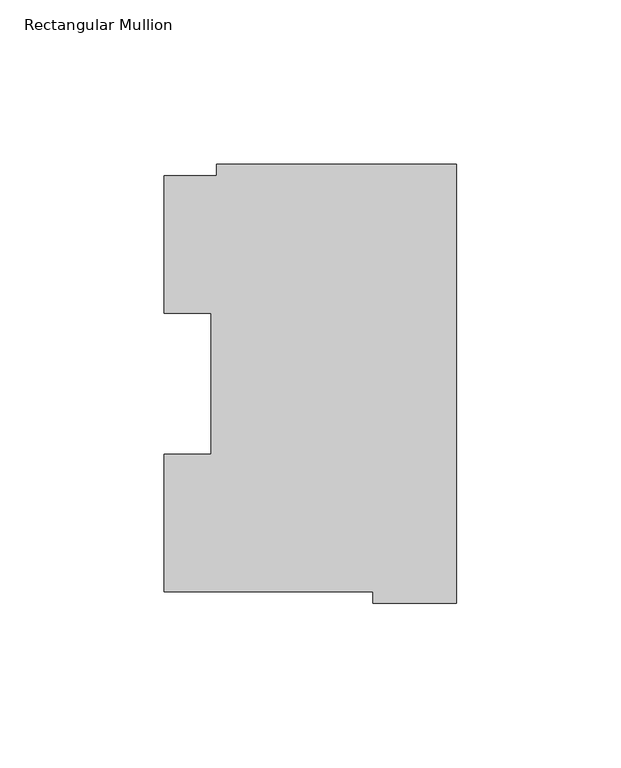
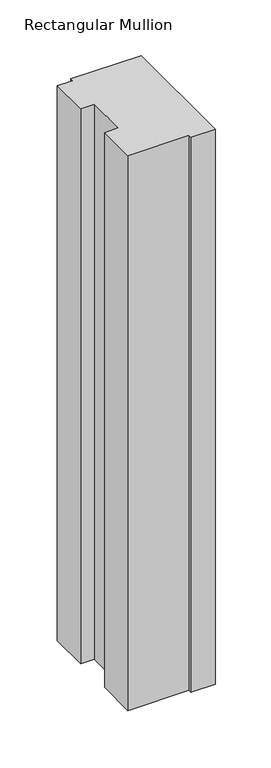
"""IFC4 building model written with IfcOpenShell, lengths in millimetres: member geometry, Rectangular Mullion."""

from ifc_helpers import new_model, si_unit, frame, origin, place, context, project, spatial, polyline, outline, extrude, source, transform, mapped, element, save


def rectangular_mullion_7f175a89(model_context):
    return source(origin(), model_context, "Body", "SweptSolid", [
        extrude(outline(polyline([(-72.9776553, 129.8730275), (0.0, 129.8730275), (0.0, -3.4911943), (-25.3822228, -3.4911943), (-25.3822228, -0.0373063), (-88.8822228, -0.0373063), (-88.8822228, 41.7508474), (-74.5923808, 41.7508474), (-74.5923808, 84.6335937), (-88.8822228, 84.6335937), (-88.8822228, 126.4546938), (-72.9776553, 126.4546938), (-72.9776553, 129.8730275)])), frame((0.0, 0.0, -609.6), z_axis=(0.0, 0.0, 1.0), x_axis=(1.0, 0.0, 0.0)), (0.0, 0.0, 1.0), 609.6),
    ])


if __name__ == "__main__":
    model = new_model("IFC4")
    model_context = context("Model", 3, world=origin())
    ifc_project = project(units=[si_unit("LENGTHUNIT", "METRE", prefix="MILLI")], contexts=[model_context])
    site = spatial("IfcSite", under=ifc_project)
    building = spatial("IfcBuilding", under=site)
    placement = place(None, origin())
    rectangular_mullion_shape = rectangular_mullion_7f175a89(model_context)
    element("IfcMember", 1, ObjectType="Rectangular Mullion", at=placement, inside=building, context=model_context, shape_type="MappedRepresentation", body=[
        mapped(rectangular_mullion_shape, transform((0.0, 0.0, 0.0), x_axis=(1.0, 0.0, 0.0), y_axis=(0.0, 1.0, 0.0), z_axis=(0.0, 0.0, 1.0))),
    ])
    save(model, "model.ifc")
